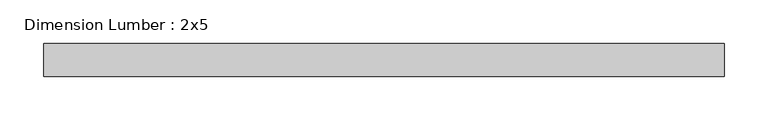
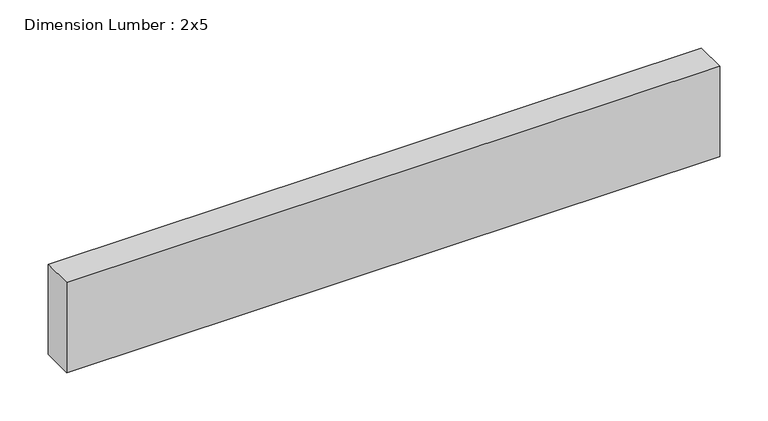
"""IFC4 building model written with IfcOpenShell, lengths in millimetres: beam geometry, Dimension Lumber : 2x5."""

from ifc_helpers import new_model, si_unit, frame, origin, place, context, project, spatial, polyline, outline, extrude, source, transform, mapped, element, save


def dimension_lumber_2x5_84c10a39(model_context):
    return source(origin(), model_context, "Body", "SweptSolid", [
        extrude(outline(polyline([(390.8686817, 19.05), (390.8686817, -19.05), (-390.8686817, -19.05), (-390.8686817, 19.05), (390.8686817, 19.05)])), frame((0.0, 0.0, -57.15), z_axis=(0.0, 0.0, 1.0), x_axis=(1.0, 0.0, 0.0)), (0.0, 0.0, 1.0), 114.3),
    ])


if __name__ == "__main__":
    model = new_model("IFC4")
    model_context = context("Model", 3, world=origin())
    ifc_project = project(units=[si_unit("LENGTHUNIT", "METRE", prefix="MILLI")], contexts=[model_context])
    site = spatial("IfcSite", under=ifc_project)
    building = spatial("IfcBuilding", under=site)
    placement = place(None, origin())
    dimension_lumber_2x5_shape = dimension_lumber_2x5_84c10a39(model_context)
    element("IfcBeam", 1, ObjectType="Dimension Lumber : 2x5", at=placement, inside=building, context=model_context, shape_type="MappedRepresentation", body=[
        mapped(dimension_lumber_2x5_shape, transform((0.0, 0.0, 0.0), x_axis=(1.0, 0.0, 0.0), y_axis=(0.0, 1.0, 0.0), z_axis=(0.0, 0.0, 1.0))),
    ])
    save(model, "model.ifc")
